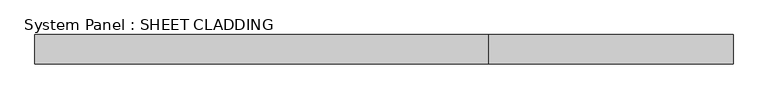
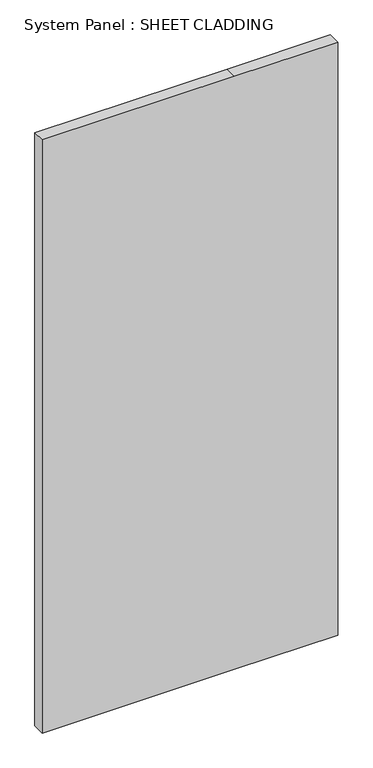
"""IFC4 building model written with IfcOpenShell, lengths in millimetres: plate geometry, System Panel : SHEET CLADDING."""

from ifc_helpers import new_model, si_unit, frame, origin, place, context, project, spatial, polyline, outline, extrude, source, transform, mapped, element, save


def system_panel_sheet_cladding_584bde34(model_context):
    return source(origin(), model_context, "Body", "SweptSolid", [
        extrude(outline(polyline([(0.0, -714.2857143), (0.0, 214.2857145), (0.0, 714.2857143), (3031.35, 714.2857143), (3031.35, 214.2857145), (3031.35, -714.2857143), (0.0, -714.2857143)])), frame((0.0, -49.5, 0.0), z_axis=(0.0, 1.0, 0.0), x_axis=(0.0, 0.0, 1.0)), (0.0, 0.0, 1.0), 60.0),
    ])


if __name__ == "__main__":
    model = new_model("IFC4")
    model_context = context("Model", 3, world=origin())
    ifc_project = project(units=[si_unit("LENGTHUNIT", "METRE", prefix="MILLI")], contexts=[model_context])
    site = spatial("IfcSite", under=ifc_project)
    building = spatial("IfcBuilding", under=site)
    placement = place(None, origin())
    system_panel_sheet_cladding_shape = system_panel_sheet_cladding_584bde34(model_context)
    element("IfcPlate", 1, ObjectType="System Panel : SHEET CLADDING", at=placement, inside=building, context=model_context, shape_type="MappedRepresentation", body=[
        mapped(system_panel_sheet_cladding_shape, transform((0.0, 0.0, 0.0), x_axis=(1.0, 0.0, 0.0), y_axis=(0.0, 1.0, 0.0), z_axis=(0.0, 0.0, 1.0))),
    ])
    save(model, "model.ifc")
